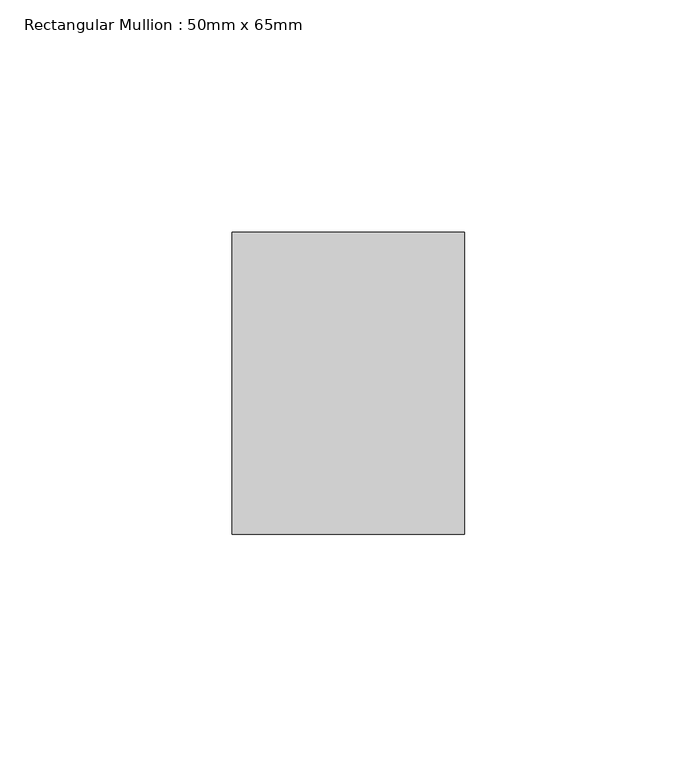
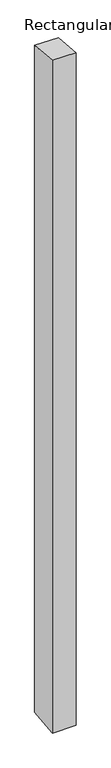
"""IFC4 building model written with IfcOpenShell, lengths in millimetres: member geometry, Rectangular Mullion : 50mm x 65mm."""

from ifc_helpers import new_model, si_unit, origin, place, context, project, spatial, faceted_brep, source, transform, mapped, element, save


def rectangular_mullion_50mm_x_65mm_4263eb31(model_context):
    return source(origin(), model_context, "Body", "Brep", [
        faceted_brep([(-25.0, 32.5, -2.9911533), (25.0, 32.5, -2.9911562), (25.0, 32.5, -1496.6283018), (-25.0, 32.5, -1496.628305), (-25.0, -32.5, 2.9911562), (-25.0, -32.5, -1503.3716646), (25.0, -32.5, 2.9911533), (25.0, -32.5, -1503.3716613)], [[[0, 1, 2, 3]], [[4, 0, 3, 5]], [[6, 4, 5, 7]], [[1, 6, 7, 2]], [[1, 0, 4, 6]], [[2, 7, 5, 3]]]),
    ])


if __name__ == "__main__":
    model = new_model("IFC4")
    model_context = context("Model", 3, world=origin())
    ifc_project = project(units=[si_unit("LENGTHUNIT", "METRE", prefix="MILLI")], contexts=[model_context])
    site = spatial("IfcSite", under=ifc_project)
    building = spatial("IfcBuilding", under=site)
    placement = place(None, origin())
    rectangular_mullion_50mm_x_65mm_shape = rectangular_mullion_50mm_x_65mm_4263eb31(model_context)
    element("IfcMember", 1, ObjectType="Rectangular Mullion : 50mm x 65mm", at=placement, inside=building, context=model_context, shape_type="MappedRepresentation", body=[
        mapped(rectangular_mullion_50mm_x_65mm_shape, transform((0.0, 0.0, 0.0), x_axis=(1.0, 0.0, 0.0), y_axis=(0.0, 1.0, 0.0), z_axis=(0.0, 0.0, 1.0))),
    ])
    save(model, "model.ifc")
